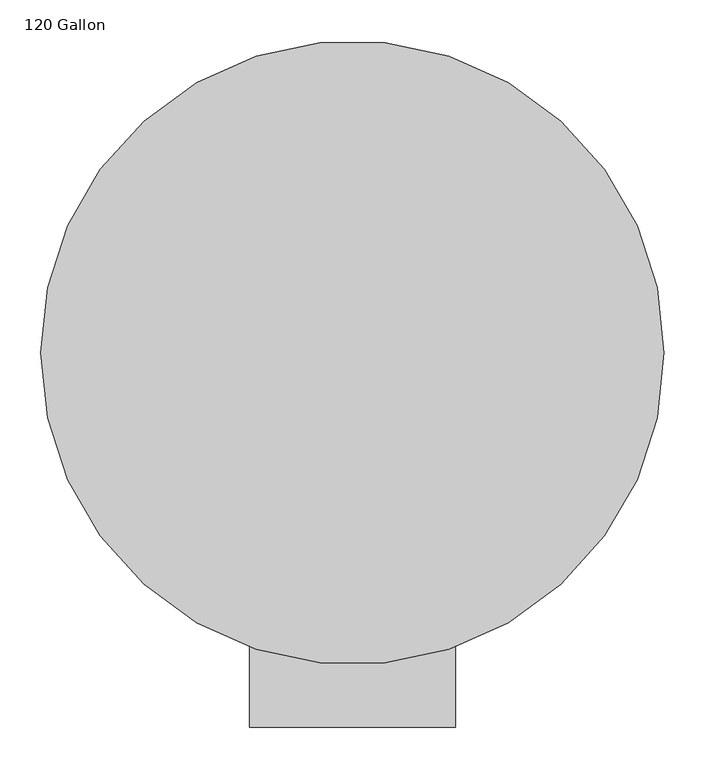
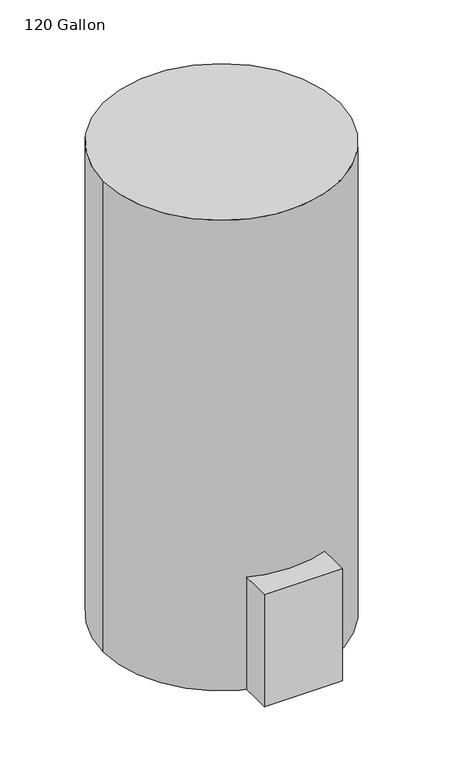
"""IFC4 building model written with IfcOpenShell, lengths in millimetres: proxy geometry, 120 Gallon."""

import ifcopenshell
import ifcopenshell.guid

model = None  # the IFC model being written
_history = None  # IfcOwnerHistory: only IFC2X3 demands one
_inside = {}  # id of a spatial element -> (the spatial element, [elements in it])
_under = {}  # id of a project, library or spatial element -> (it, [spatial elements below it])
_declared = {}  # id of a project -> (the project, [libraries it declares])
_typed = {}  # id of a type object -> (the type object, [elements of that type])
_made_of = {}  # id of a material, layer set ... -> (it, [elements and type objects made of it])


def new_model(schema):
    """Start an empty IFC model of exactly this schema.

    Asked for "IFC4X3", IfcOpenShell would pick the latest addendum, in which some entities
    have other attributes; the version numbers below select the first issue.
    IFC2X3 requires an IfcOwnerHistory on every rooted entity: one is made here for all.
    """
    global model, _history
    if schema == "IFC4X3":
        model = ifcopenshell.file(schema_version=(4, 3, 0, 0))
    else:
        model = ifcopenshell.file(schema=schema)
    _inside.clear()
    _under.clear()
    _declared.clear()
    _typed.clear()
    _made_of.clear()
    _history = None
    if model.schema == "IFC2X3":
        org = make("IfcOrganization", Name="unknown")
        user = make(
            "IfcPersonAndOrganization",
            ThePerson=make("IfcPerson", FamilyName="unknown"),
            TheOrganization=org,
        )
        app = make(
            "IfcApplication",
            ApplicationDeveloper=org,
            Version="unknown",
            ApplicationFullName="unknown",
            ApplicationIdentifier="unknown",
        )
        _history = make(
            "IfcOwnerHistory",
            OwningUser=user,
            OwningApplication=app,
            ChangeAction="ADDED",
            CreationDate=0,
        )
    return model


def make(cls, **values):
    """One entity of the class cls with the attributes given. An attribute that is None is left unset."""
    return model.create_entity(
        cls, **{name: value for name, value in values.items() if value is not None}
    )


def rooted(cls, **values):
    """An entity with a GlobalId (a new one), such as an element, a storey or a relation."""
    return make(cls, GlobalId=ifcopenshell.guid.new(), OwnerHistory=_history, **values)


def si_unit(unit_type, name, prefix=None):
    """IfcSIUnit, for example si_unit("LENGTHUNIT", "METRE", prefix="MILLI")."""
    return make("IfcSIUnit", UnitType=unit_type, Prefix=prefix, Name=name)


def assignment(units):
    """IfcUnitAssignment: the units of a project."""
    return None if units is None else make("IfcUnitAssignment", Units=units)


def point(xyz):
    """IfcCartesianPoint."""
    return None if xyz is None else make("IfcCartesianPoint", Coordinates=xyz)


def direction(xyz):
    """IfcDirection."""
    return None if xyz is None else make("IfcDirection", DirectionRatios=xyz)


def frame(location, z_axis=None, x_axis=None):
    """IfcAxis2Placement3D, a coordinate frame: its origin and axes. An axis left out is left unset."""
    return make(
        "IfcAxis2Placement3D",
        Location=point(location),
        Axis=direction(z_axis),
        RefDirection=direction(x_axis),
    )


def frame_2d(location, x_axis=None):
    """IfcAxis2Placement2D, a coordinate frame in the plane: its origin and x axis."""
    return make(
        "IfcAxis2Placement2D", Location=point(location), RefDirection=direction(x_axis)
    )


def origin():
    """The frame at (0, 0, 0) with its axes left unset."""
    return frame((0.0, 0.0, 0.0))


def origin_with_axes():
    """The frame at (0, 0, 0) with the z axis (0, 0, 1) and the x axis (1, 0, 0) written out."""
    return frame((0.0, 0.0, 0.0), z_axis=(0.0, 0.0, 1.0), x_axis=(1.0, 0.0, 0.0))


def origin_2d():
    """The frame at (0, 0) in the plane with its x axis left unset."""
    return frame_2d((0.0, 0.0))


def place(relative_to, where):
    """IfcLocalPlacement: puts the frame where relative to a parent placement (None: the world)."""
    return make(
        "IfcLocalPlacement", PlacementRelTo=relative_to, RelativePlacement=where
    )


def context(
    kind, dimensions, precision=None, world=None, true_north=None, identifier=None
):
    """IfcGeometricRepresentationContext, for example the 3D "Model" context."""
    return make(
        "IfcGeometricRepresentationContext",
        ContextIdentifier=identifier,
        ContextType=kind,
        CoordinateSpaceDimension=dimensions,
        Precision=precision,
        WorldCoordinateSystem=world,
        TrueNorth=true_north,
    )


def project(units=None, contexts=None):
    """IfcProject with its units and contexts."""
    return rooted(
        "IfcProject",
        Name="project",
        RepresentationContexts=contexts,
        UnitsInContext=assignment(units),
    )


def spatial(cls, under=None, at=None, **own):
    """A site, building, storey or space (cls), placed at a placement, below another one or the project."""
    s = rooted(cls, ObjectPlacement=at, **own)
    if under is not None:
        _under.setdefault(under.id(), (under, []))[1].append(s)
    return s


def polyline(points):
    """IfcPolyline through the points."""
    return make("IfcPolyline", Points=[point(p) for p in points])


def circle_curve(where, radius):
    """IfcCircle in the frame where."""
    return make("IfcCircle", Position=where, Radius=radius)


def trimmed(basis, trim1, trim2, sense, master):
    """IfcTrimmedCurve: the piece of a basis curve between two trims."""
    return make(
        "IfcTrimmedCurve",
        BasisCurve=basis,
        Trim1=trim1,
        Trim2=trim2,
        SenseAgreement=sense,
        MasterRepresentation=master,
    )


def segment(curve, same_sense, transition):
    """IfcCompositeCurveSegment."""
    return make(
        "IfcCompositeCurveSegment",
        Transition=transition,
        SameSense=same_sense,
        ParentCurve=curve,
    )


def composite_curve(segments, self_intersect=None):
    """IfcCompositeCurve: segments joined end to end."""
    return make("IfcCompositeCurve", Segments=segments, SelfIntersect=self_intersect)


def outline(outer, holes=None, kind="AREA"):
    """IfcArbitraryClosedProfileDef: a profile drawn as a closed curve; with holes, ...WithVoids."""
    if holes is None:
        return make("IfcArbitraryClosedProfileDef", ProfileType=kind, OuterCurve=outer)
    return make(
        "IfcArbitraryProfileDefWithVoids",
        ProfileType=kind,
        OuterCurve=outer,
        InnerCurves=holes,
    )


def extrude(swept, where, along, depth):
    """IfcExtrudedAreaSolid: the profile swept, set in the frame where, extruded along a direction by depth."""
    return make(
        "IfcExtrudedAreaSolid",
        SweptArea=swept,
        Position=where,
        ExtrudedDirection=direction(along),
        Depth=depth,
    )


def shape(context_of_items, identifier, shape_type, items):
    """IfcShapeRepresentation: the items that make up one representation, for example the "Body"."""
    return make(
        "IfcShapeRepresentation",
        ContextOfItems=context_of_items,
        RepresentationIdentifier=identifier,
        RepresentationType=shape_type,
        Items=items,
    )


def source(mapping_origin, context_of_items, identifier, shape_type, items):
    """IfcRepresentationMap: a shape defined once, which mapped items show again and again."""
    return make(
        "IfcRepresentationMap",
        MappingOrigin=mapping_origin,
        MappedRepresentation=shape(context_of_items, identifier, shape_type, items),
    )


def transform(
    local_origin,
    x_axis=None,
    y_axis=None,
    z_axis=None,
    scale=None,
    scale2=None,
    scale3=None,
    uniform=True,
):
    """IfcCartesianTransformationOperator3D, or its non-uniform kind. x_axis, y_axis, z_axis: its Axis1, 2, 3."""
    if uniform:
        return make(
            "IfcCartesianTransformationOperator3D",
            Axis1=direction(x_axis),
            Axis2=direction(y_axis),
            LocalOrigin=point(local_origin),
            Scale=scale,
            Axis3=direction(z_axis),
        )
    return make(
        "IfcCartesianTransformationOperator3DnonUniform",
        Axis1=direction(x_axis),
        Axis2=direction(y_axis),
        LocalOrigin=point(local_origin),
        Scale=scale,
        Axis3=direction(z_axis),
        Scale2=scale2,
        Scale3=scale3,
    )


def mapped(mapping_source, mapping_target):
    """IfcMappedItem: shows the shape of a source again, moved by a transform."""
    return make(
        "IfcMappedItem", MappingSource=mapping_source, MappingTarget=mapping_target
    )


def made_of(thing, what):
    """Note that an element or type object is made of a material, layer set ...; save() writes the relation."""
    if what is not None:
        _made_of.setdefault(what.id(), (what, []))[1].append(thing)
    return thing


def element(
    cls,
    number,
    at=None,
    inside=None,
    cuts=None,
    type_object=None,
    material=None,
    context=None,
    identifier="Body",
    shape_type=None,
    held_by="IfcProductDefinitionShape",
    body=None,
    shapes=None,
    **own,
):
    """One element of the class cls, such as IfcWall. Its Tag is "e" and its number.

    at: its placement. inside: the storey or other place that contains it. cuts: it is an
    opening in that element (IfcRelVoidsElement). A single representation is given by context,
    identifier, shape_type and body (its items); several are given by shapes. held_by: the class
    of the entity that holds the representations. save() writes the other relations.
    """
    e = rooted(cls, Tag="e%d" % number, ObjectPlacement=at, **own)
    if body is not None:
        shapes = [shape(context, identifier, shape_type, body)]
    if shapes is not None:
        e.Representation = make(held_by, Representations=shapes)
    if inside is not None:
        _inside.setdefault(inside.id(), (inside, []))[1].append(e)
    if cuts is not None:
        rooted(
            "IfcRelVoidsElement", RelatingBuildingElement=cuts, RelatedOpeningElement=e
        )
    if type_object is not None:
        _typed.setdefault(type_object.id(), (type_object, []))[1].append(e)
    return made_of(e, material)


def aggregate(whole, parts):
    """IfcRelAggregates: a whole, such as a stair, and the parts it consists of."""
    return rooted("IfcRelAggregates", RelatingObject=whole, RelatedObjects=parts)


def save(model, path):
    """Write the relations noted so far, then the file.

    IfcRelAggregates (storeys below a building ...), IfcRelContainedInSpatialStructure (elements
    in a storey), IfcRelDefinesByType, IfcRelAssociatesMaterial and IfcRelDeclares: one each for
    every whole, place, type object, material and project.
    """
    for whole, parts in _under.values():
        aggregate(whole, parts)
    for where, things in _inside.values():
        rooted(
            "IfcRelContainedInSpatialStructure",
            RelatedElements=things,
            RelatingStructure=where,
        )
    for kind, things in _typed.values():
        rooted("IfcRelDefinesByType", RelatedObjects=things, RelatingType=kind)
    for what, things in _made_of.values():
        rooted("IfcRelAssociatesMaterial", RelatedObjects=things, RelatingMaterial=what)
    for by, libraries in _declared.values():
        rooted("IfcRelDeclares", RelatingContext=by, RelatedDefinitions=libraries)
    model.write(path)


def proxy_120_gallon_3176d309(model_context):
    return source(origin(), model_context, "Body", "SweptSolid", [
        extrude(outline(polyline([(-125.73, -304.8), (125.73, -304.8), (125.73, -457.2), (-125.73, -457.2), (-125.73, -304.8)])), origin_with_axes(), (0.0, 0.0, 1.0), 381.0),
        extrude(outline(composite_curve([segment(trimmed(circle_curve(origin_2d(), 381.0), [point((-381.0, 0.0))], [point((381.0, 0.0))], False, "CARTESIAN"), True, "CONTINUOUS"), segment(trimmed(circle_curve(origin_2d(), 381.0), [point((381.0, 0.0))], [point((-381.0, 0.0))], False, "CARTESIAN"), True, "CONTINUOUS")], self_intersect=False)), origin_with_axes(), (0.0, 0.0, 1.0), 1600.2),
    ])


if __name__ == "__main__":
    model = new_model("IFC4")
    model_context = context("Model", 3, world=origin())
    ifc_project = project(units=[si_unit("LENGTHUNIT", "METRE", prefix="MILLI")], contexts=[model_context])
    site = spatial("IfcSite", under=ifc_project)
    building = spatial("IfcBuilding", under=site)
    placement = place(None, origin())
    proxy_120_gallon_shape = proxy_120_gallon_3176d309(model_context)
    element("IfcBuildingElementProxy", 1, Name="120 Gallon", ObjectType="120 Gallon", at=placement, inside=building, context=model_context, shape_type="MappedRepresentation", body=[
        mapped(proxy_120_gallon_shape, transform((0.0, 0.0, 0.0), x_axis=(1.0, 0.0, 0.0), y_axis=(0.0, 1.0, 0.0), z_axis=(0.0, 0.0, 1.0))),
    ])
    save(model, "model.ifc")
